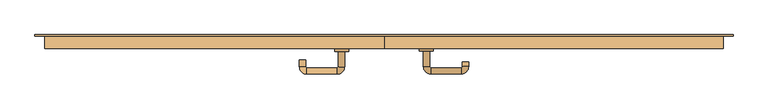
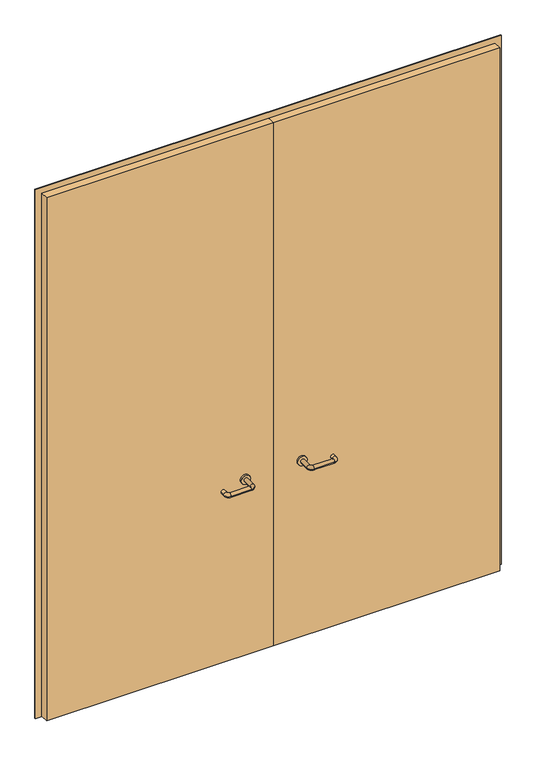
"""IFC4 building model written with IfcOpenShell, lengths in millimetres: door geometry."""

from ifc_helpers import new_model, si_unit, point, frame, frame_2d, origin, place, context, project, spatial, polyline, circle_curve, ellipse_curve, trimmed, segment, composite_curve, outline, extrude, source, transform, mapped, element, save
from ifc_brep_helpers import plane_surface, cylinder_surface, revolved_surface, advanced_brep


def door_80720a93(model_context):
    return source(origin(), model_context, "Body", "SolidModel", [
        extrude(outline(polyline([(3000.0, -1250.0), (0.0, -1250.0), (0.0, -1218.0), (2968.0, -1218.0), (2968.0, 1218.0), (0.0, 1218.0), (0.0, 1250.0), (3000.0, 1250.0), (3000.0, -1250.0)])), frame((0.0, 10.0, 0.0), z_axis=(0.0, 1.0, 0.0), x_axis=(0.0, 0.0, 1.0)), (0.0, 0.0, 1.0), 5.0),
        advanced_brep(
        [(140.99898, -44.0, 1003.0), (162.99898, -44.0, 1003.0), (140.99898, -99.3525369, 1003.0), (162.99898, -99.3525369, 1003.0), (166.99898, -103.3525369, 1003.0), (166.99898, -125.3525369, 1003.0), (276.99898, -125.3525369, 1003.0), (276.99898, -103.3525369, 1003.0), (280.99898, -99.3525369, 1003.0), (302.99898, -99.3525369, 1003.0), (302.99898, -82.0, 1003.0), (280.99898, -82.0, 1003.0)],
        [
            (0, 1, circle_curve(frame((151.99898, -44.0, 1003.0), z_axis=(0.0, 1.0, 0.0), x_axis=(1.0, 0.0, 0.0)), 11.0)),
            (1, 0, circle_curve(frame((151.99898, -44.0, 1003.0), z_axis=(0.0, 1.0, 0.0), x_axis=(1.0, 0.0, 0.0)), 11.0)),
            (0, 2),
            (2, 3, circle_curve(frame((151.99898, -99.3525369, 1003.0), z_axis=(0.0, 1.0, 0.0), x_axis=(1.0, 0.0, 0.0)), 11.0)),
            (3, 1),
            (3, 2, circle_curve(frame((151.99898, -99.3525369, 1003.0), z_axis=(0.0, 1.0, 0.0), x_axis=(1.0, 0.0, 0.0)), 11.0)),
            (4, 3, circle_curve(frame((166.99898, -99.3525369, 1003.0), z_axis=(0.0, 0.0, -1.0), x_axis=(-1.0, 0.0, 0.0)), 4.0)),
            (2, 5, circle_curve(frame((166.99898, -99.3525369, 1003.0), z_axis=(0.0, 0.0, 1.0), x_axis=(-1.0, 0.0, 0.0)), 26.0)),
            (5, 4, circle_curve(frame((166.99898, -114.3525369, 1003.0), z_axis=(-1.0, 0.0, 0.0), x_axis=(0.0, 1.0, 0.0)), 11.0)),
            (4, 5, circle_curve(frame((166.99898, -114.3525369, 1003.0), z_axis=(-1.0, 0.0, 0.0), x_axis=(0.0, 1.0, 0.0)), 11.0)),
            (5, 6),
            (6, 7, circle_curve(frame((276.99898, -114.3525369, 1003.0), z_axis=(-1.0, 0.0, 0.0), x_axis=(0.0, 1.0, 0.0)), 11.0)),
            (7, 4),
            (7, 6, circle_curve(frame((276.99898, -114.3525369, 1003.0), z_axis=(-1.0, 0.0, 0.0), x_axis=(0.0, 1.0, 0.0)), 11.0)),
            (8, 7, circle_curve(frame((276.99898, -99.3525369, 1003.0), z_axis=(0.0, 0.0, -1.0), x_axis=(0.0, -1.0, 0.0)), 4.0)),
            (6, 9, circle_curve(frame((276.99898, -99.3525369, 1003.0), z_axis=(0.0, 0.0, 1.0), x_axis=(0.0, -1.0, 0.0)), 26.0)),
            (9, 8, circle_curve(frame((291.99898, -99.3525369, 1003.0), z_axis=(0.0, -1.0, 0.0), x_axis=(-1.0, 0.0, 0.0)), 11.0)),
            (8, 9, circle_curve(frame((291.99898, -99.3525369, 1003.0), z_axis=(0.0, -1.0, 0.0), x_axis=(-1.0, 0.0, 0.0)), 11.0)),
            (10, 11, circle_curve(frame((291.99898, -82.0, 1003.0), z_axis=(0.0, 1.0, 0.0), x_axis=(-1.0, 0.0, 0.0)), 11.0)),
            (11, 10, circle_curve(frame((291.99898, -82.0, 1003.0), z_axis=(0.0, 1.0, 0.0), x_axis=(-1.0, 0.0, 0.0)), 11.0)),
            (9, 10),
            (11, 8),
        ],
        [
            plane_surface(frame((140.99898, -44.0, 1003.0), z_axis=(0.0, 1.0, 0.0), x_axis=(0.0, 0.0, -1.0))),
            cylinder_surface(frame((151.99898, -44.0, 1003.0), z_axis=(0.0, 1.0, 0.0), x_axis=(1.0, 0.0, 0.0)), 11.0),
            revolved_surface(trimmed(ellipse_curve(frame((151.99898, -99.3525369, 1003.0), z_axis=(0.0, 1.0, 0.0), x_axis=(1.0, 0.0, 0.0)), 11.0, 11.0), [point((140.99898, -99.3525369, 1003.0))], [point((162.99898, -99.3525369, 1003.0))], True, "CARTESIAN"), (166.99898, -99.3525369, 1003.0), (0.0, 0.0, 1.0)),
            revolved_surface(trimmed(ellipse_curve(frame((151.99898, -99.3525369, 1003.0), z_axis=(0.0, 1.0, 0.0), x_axis=(1.0, 0.0, 0.0)), 11.0, 11.0), [point((162.99898, -99.3525369, 1003.0))], [point((140.99898, -99.3525369, 1003.0))], True, "CARTESIAN"), (166.99898, -99.3525369, 1003.0), (0.0, 0.0, 1.0)),
            cylinder_surface(frame((166.99898, -114.3525369, 1003.0), z_axis=(-1.0, 0.0, 0.0), x_axis=(0.0, 1.0, 0.0)), 11.0),
            revolved_surface(trimmed(ellipse_curve(frame((276.99898, -114.3525369, 1003.0), z_axis=(-1.0, 0.0, 0.0), x_axis=(0.0, 1.0, 0.0)), 11.0, 11.0), [point((276.99898, -125.3525369, 1003.0))], [point((276.99898, -103.3525369, 1003.0))], True, "CARTESIAN"), (276.99898, -99.3525369, 1003.0), (0.0, 0.0, 1.0)),
            revolved_surface(trimmed(ellipse_curve(frame((276.99898, -114.3525369, 1003.0), z_axis=(-1.0, 0.0, 0.0), x_axis=(0.0, 1.0, 0.0)), 11.0, 11.0), [point((276.99898, -103.3525369, 1003.0))], [point((276.99898, -125.3525369, 1003.0))], True, "CARTESIAN"), (276.99898, -99.3525369, 1003.0), (0.0, 0.0, 1.0)),
            plane_surface(frame((280.99898, -82.0, 1003.0), z_axis=(0.0, 1.0, 0.0), x_axis=(0.0, 0.0, 1.0))),
            cylinder_surface(frame((291.99898, -99.3525369, 1003.0), z_axis=(0.0, -1.0, 0.0), x_axis=(-1.0, 0.0, 0.0)), 11.0),
        ],
        [
            (0, [[1, 2]]),
            (1, [[-1, 3, 4, 5]]),
            (1, [[-2, -5, 6, -3]]),
            (2, [[7, -4, 8, 9]]),
            (3, [[-8, -6, -7, 10]]),
            (4, [[-9, 11, 12, 13]]),
            (4, [[-10, -13, 14, -11]]),
            (5, [[15, -12, 16, 17]]),
            (6, [[-16, -14, -15, 18]]),
            (7, [[19, 20]]),
            (8, [[-17, 21, -20, 22]]),
            (8, [[-18, -22, -19, -21]]),
        ],
    ),
        extrude(outline(composite_curve([segment(trimmed(circle_curve(frame_2d((1003.0, 151.99898)), 25.0), [point((1003.0, 126.99898))], [point((1003.0, 176.99898))], False, "CARTESIAN"), True, "CONTINUOUS"), segment(trimmed(circle_curve(frame_2d((1003.0, 151.99898)), 25.0), [point((1003.0, 176.99898))], [point((1003.0, 126.99898))], False, "CARTESIAN"), True, "CONTINUOUS")], self_intersect=False)), frame((0.0, -44.0, 0.0), z_axis=(0.0, 1.0, 0.0), x_axis=(0.0, 0.0, 1.0)), (0.0, 0.0, 1.0), 10.0),
        advanced_brep(
        [(-162.99898, -44.3113879, 1003.0), (-140.99898, -44.3113879, 1003.0), (-162.99898, -99.7220447, 1003.0), (-140.99898, -99.7220447, 1003.0), (-166.99898, -125.7220447, 1003.0), (-166.99898, -103.7220447, 1003.0), (-276.99898, -103.7220447, 1003.0), (-276.99898, -125.7220447, 1003.0), (-302.99898, -99.7220447, 1003.0), (-280.99898, -99.7220447, 1003.0), (-280.99898, -74.7220447, 1003.0), (-302.99898, -74.7220447, 1003.0)],
        [
            (0, 1, circle_curve(frame((-151.99898, -44.3113879, 1003.0), z_axis=(0.0, 1.0, 0.0), x_axis=(1.0, 0.0, 0.0)), 11.0)),
            (1, 0, circle_curve(frame((-151.99898, -44.3113879, 1003.0), z_axis=(0.0, 1.0, 0.0), x_axis=(1.0, 0.0, 0.0)), 11.0)),
            (0, 2),
            (2, 3, circle_curve(frame((-151.99898, -99.7220447, 1003.0), z_axis=(0.0, 1.0, 0.0), x_axis=(1.0, 0.0, 0.0)), 11.0)),
            (3, 1),
            (3, 2, circle_curve(frame((-151.99898, -99.7220447, 1003.0), z_axis=(0.0, 1.0, 0.0), x_axis=(1.0, 0.0, 0.0)), 11.0)),
            (4, 3, circle_curve(frame((-166.99898, -99.7220447, 1003.0), z_axis=(0.0, 0.0, 1.0), x_axis=(1.0, 0.0, 0.0)), 26.0)),
            (2, 5, circle_curve(frame((-166.99898, -99.7220447, 1003.0), z_axis=(0.0, 0.0, -1.0), x_axis=(1.0, 0.0, 0.0)), 4.0)),
            (5, 4, circle_curve(frame((-166.99898, -114.7220447, 1003.0), z_axis=(1.0, 0.0, 0.0), x_axis=(0.0, -1.0, 0.0)), 11.0)),
            (4, 5, circle_curve(frame((-166.99898, -114.7220447, 1003.0), z_axis=(1.0, 0.0, 0.0), x_axis=(0.0, -1.0, 0.0)), 11.0)),
            (5, 6),
            (6, 7, circle_curve(frame((-276.99898, -114.7220447, 1003.0), z_axis=(1.0, 0.0, 0.0), x_axis=(0.0, -1.0, 0.0)), 11.0)),
            (7, 4),
            (7, 6, circle_curve(frame((-276.99898, -114.7220447, 1003.0), z_axis=(1.0, 0.0, 0.0), x_axis=(0.0, -1.0, 0.0)), 11.0)),
            (8, 7, circle_curve(frame((-276.99898, -99.7220447, 1003.0), z_axis=(0.0, 0.0, 1.0), x_axis=(0.0, -1.0, 0.0)), 26.0)),
            (6, 9, circle_curve(frame((-276.99898, -99.7220447, 1003.0), z_axis=(0.0, 0.0, -1.0), x_axis=(0.0, -1.0, 0.0)), 4.0)),
            (9, 8, circle_curve(frame((-291.99898, -99.7220447, 1003.0), z_axis=(0.0, -1.0, 0.0), x_axis=(-1.0, 0.0, 0.0)), 11.0)),
            (8, 9, circle_curve(frame((-291.99898, -99.7220447, 1003.0), z_axis=(0.0, -1.0, 0.0), x_axis=(-1.0, 0.0, 0.0)), 11.0)),
            (10, 11, circle_curve(frame((-291.99898, -74.7220447, 1003.0), z_axis=(0.0, 1.0, 0.0), x_axis=(-1.0, 0.0, 0.0)), 11.0)),
            (11, 10, circle_curve(frame((-291.99898, -74.7220447, 1003.0), z_axis=(0.0, 1.0, 0.0), x_axis=(-1.0, 0.0, 0.0)), 11.0)),
            (9, 10),
            (11, 8),
        ],
        [
            plane_surface(frame((-162.99898, -44.3113879, 1003.0), z_axis=(0.0, 1.0, 0.0), x_axis=(0.0, 0.0, -1.0))),
            cylinder_surface(frame((-151.99898, -44.3113879, 1003.0), z_axis=(0.0, 1.0, 0.0), x_axis=(1.0, 0.0, 0.0)), 11.0),
            revolved_surface(trimmed(ellipse_curve(frame((-151.99898, -99.7220447, 1003.0), z_axis=(0.0, 1.0, 0.0), x_axis=(1.0, 0.0, 0.0)), 11.0, 11.0), [point((-162.99898, -99.7220447, 1003.0))], [point((-140.99898, -99.7220447, 1003.0))], True, "CARTESIAN"), (-166.99898, -99.7220447, 1003.0), (0.0, 0.0, -1.0)),
            revolved_surface(trimmed(ellipse_curve(frame((-151.99898, -99.7220447, 1003.0), z_axis=(0.0, 1.0, 0.0), x_axis=(1.0, 0.0, 0.0)), 11.0, 11.0), [point((-140.99898, -99.7220447, 1003.0))], [point((-162.99898, -99.7220447, 1003.0))], True, "CARTESIAN"), (-166.99898, -99.7220447, 1003.0), (0.0, 0.0, -1.0)),
            cylinder_surface(frame((-166.99898, -114.7220447, 1003.0), z_axis=(1.0, 0.0, 0.0), x_axis=(0.0, -1.0, 0.0)), 11.0),
            revolved_surface(trimmed(ellipse_curve(frame((-276.99898, -114.7220447, 1003.0), z_axis=(1.0, 0.0, 0.0), x_axis=(0.0, -1.0, 0.0)), 11.0, 11.0), [point((-276.99898, -103.7220447, 1003.0))], [point((-276.99898, -125.7220447, 1003.0))], True, "CARTESIAN"), (-276.99898, -99.7220447, 1003.0), (0.0, 0.0, -1.0)),
            revolved_surface(trimmed(ellipse_curve(frame((-276.99898, -114.7220447, 1003.0), z_axis=(1.0, 0.0, 0.0), x_axis=(0.0, -1.0, 0.0)), 11.0, 11.0), [point((-276.99898, -125.7220447, 1003.0))], [point((-276.99898, -103.7220447, 1003.0))], True, "CARTESIAN"), (-276.99898, -99.7220447, 1003.0), (0.0, 0.0, -1.0)),
            plane_surface(frame((-302.99898, -74.7220447, 1003.0), z_axis=(0.0, 1.0, 0.0), x_axis=(0.0, 0.0, 1.0))),
            cylinder_surface(frame((-291.99898, -99.7220447, 1003.0), z_axis=(0.0, -1.0, 0.0), x_axis=(-1.0, 0.0, 0.0)), 11.0),
        ],
        [
            (0, [[1, 2]]),
            (1, [[-1, 3, 4, 5]]),
            (1, [[-2, -5, 6, -3]]),
            (2, [[7, -4, 8, 9]]),
            (3, [[-8, -6, -7, 10]]),
            (4, [[-9, 11, 12, 13]]),
            (4, [[-10, -13, 14, -11]]),
            (5, [[15, -12, 16, 17]]),
            (6, [[-16, -14, -15, 18]]),
            (7, [[19, 20]]),
            (8, [[-17, 21, -20, 22]]),
            (8, [[-18, -22, -19, -21]]),
        ],
    ),
        extrude(outline(composite_curve([segment(trimmed(circle_curve(frame_2d((1003.0, -151.99898)), 25.0), [point((1003.0, -176.99898))], [point((1003.0, -126.99898))], False, "CARTESIAN"), True, "CONTINUOUS"), segment(trimmed(circle_curve(frame_2d((1003.0, -151.99898)), 25.0), [point((1003.0, -126.99898))], [point((1003.0, -176.99898))], False, "CARTESIAN"), True, "CONTINUOUS")], self_intersect=False)), frame((0.0, -44.3113879, 0.0), z_axis=(0.0, 1.0, 0.0), x_axis=(0.0, 0.0, 1.0)), (0.0, 0.0, 1.0), 10.3113879),
        extrude(outline(polyline([(1.0739506, -34.0), (-1215.0, -34.0), (-1215.0, 10.0), (1.0739506, 10.0), (1.0739506, -34.0)])), frame((0.0, 0.0, 1.753223), z_axis=(0.0, 0.0, 1.0), x_axis=(1.0, 0.0, 0.0)), (0.0, 0.0, 1.0), 2966.246777),
        extrude(outline(polyline([(1215.0, -34.0), (1.0739506, -34.0), (1.0739506, 10.0), (1215.0, 10.0), (1215.0, -34.0)])), frame((0.0, 0.0, 1.753223), z_axis=(0.0, 0.0, 1.0), x_axis=(1.0, 0.0, 0.0)), (0.0, 0.0, 1.0), 2966.246777),
    ])


if __name__ == "__main__":
    model = new_model("IFC4")
    model_context = context("Model", 3, world=origin())
    ifc_project = project(units=[si_unit("LENGTHUNIT", "METRE", prefix="MILLI")], contexts=[model_context])
    site = spatial("IfcSite", under=ifc_project)
    building = spatial("IfcBuilding", under=site)
    placement = place(None, origin())
    door_shape = door_80720a93(model_context)
    element("IfcDoor", 1, at=placement, inside=building, context=model_context, shape_type="MappedRepresentation", body=[
        mapped(door_shape, transform((0.0, 0.0, 0.0), x_axis=(1.0, 0.0, 0.0), y_axis=(0.0, 1.0, 0.0), z_axis=(0.0, 0.0, 1.0))),
    ])
    save(model, "model.ifc")
